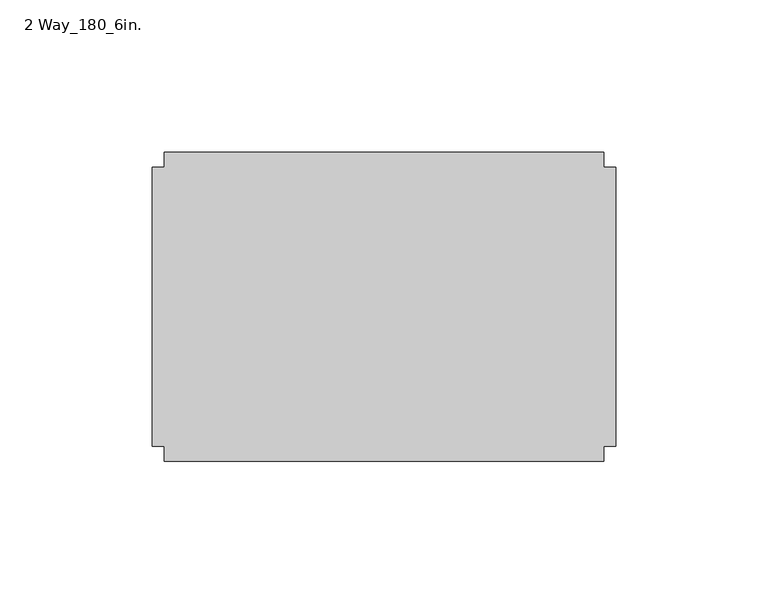
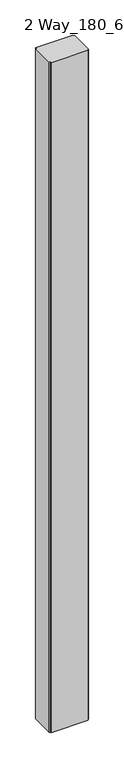
"""IFC4 building model written with IfcOpenShell, lengths in millimetres: furniture geometry, 2 Way_180_6in.."""

from ifc_helpers import new_model, si_unit, origin, origin_with_axes, place, context, project, spatial, polyline, outline, extrude, source, transform, mapped, element, save


def furniture_2_way_180_6in_10ed3ff3(model_context):
    return source(origin(), model_context, "Body", "SweptSolid", [
        extrude(outline(polyline([(33.9141531, 22.2450295), (33.9141531, 27.1980295), (178.4401531, 27.1980295), (178.4401531, 22.2450295), (182.3771531, 22.2450295), (182.3771531, -69.4489705), (178.4401531, -69.4489705), (178.4401531, -74.4019705), (33.9141531, -74.4019705), (33.9141531, -69.4489705), (29.9771531, -69.4489705), (29.9771531, 22.2450295), (33.9141531, 22.2450295)])), origin_with_axes(), (0.0, 0.0, 1.0), 2743.2),
    ])


if __name__ == "__main__":
    model = new_model("IFC4")
    model_context = context("Model", 3, world=origin())
    ifc_project = project(units=[si_unit("LENGTHUNIT", "METRE", prefix="MILLI")], contexts=[model_context])
    site = spatial("IfcSite", under=ifc_project)
    building = spatial("IfcBuilding", under=site)
    placement = place(None, origin())
    furniture_2_way_180_6in_shape = furniture_2_way_180_6in_10ed3ff3(model_context)
    element("IfcFurniture", 1, ObjectType="2 Way_180_6in.", at=placement, inside=building, context=model_context, shape_type="MappedRepresentation", body=[
        mapped(furniture_2_way_180_6in_shape, transform((0.0, 0.0, 0.0), x_axis=(1.0, 0.0, 0.0), y_axis=(0.0, 1.0, 0.0), z_axis=(0.0, 0.0, 1.0))),
    ])
    save(model, "model.ifc")
